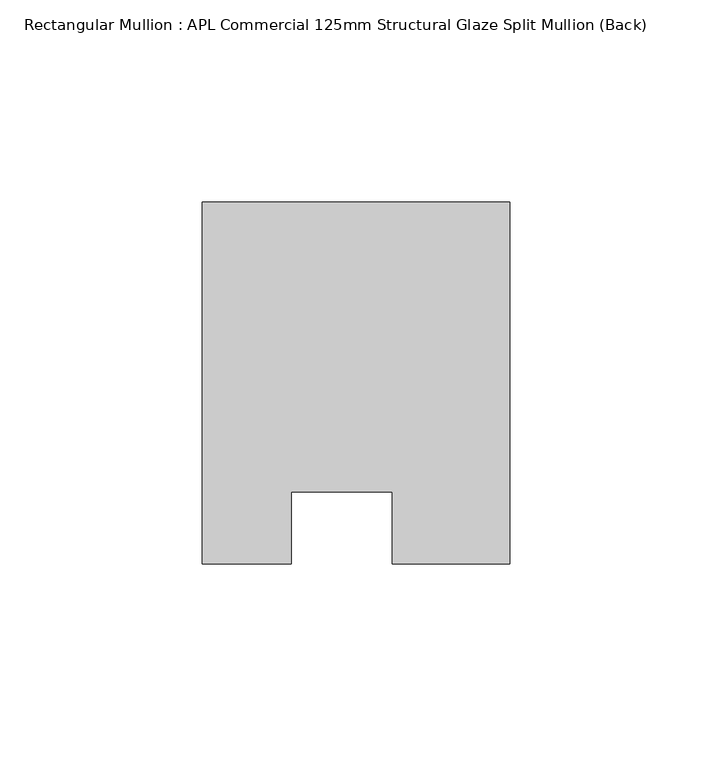
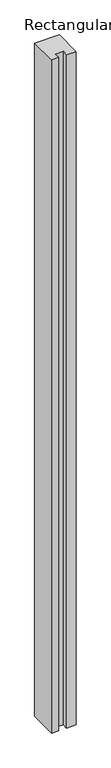
"""IFC4 building model written with IfcOpenShell, lengths in millimetres: member geometry, Rectangular Mullion : APL Commercial 125mm Structural Glaze Split Mullion (Back)."""

from ifc_helpers import new_model, si_unit, frame, origin, place, context, project, spatial, polyline, outline, extrude, source, transform, mapped, element, save


def rectangular_mullion_apl_commercial_125mm_structural_glaze_cc10245e(model_context):
    return source(origin(), model_context, "Body", "SweptSolid", [
        extrude(outline(polyline([(37.9999914, 104.4960123), (37.9999914, 14.9960123), (9.0, 14.9960123), (9.0, 32.7960123), (-16.0, 32.7960123), (-16.0, 14.9960123), (-37.9999896, 14.9960123), (-37.9999896, 104.4960123), (37.9999914, 104.4960123)])), frame((0.0, 0.0, -2200.0), z_axis=(0.0, 0.0, 1.0), x_axis=(1.0, 0.0, 0.0)), (0.0, 0.0, 1.0), 2200.0),
    ])


if __name__ == "__main__":
    model = new_model("IFC4")
    model_context = context("Model", 3, world=origin())
    ifc_project = project(units=[si_unit("LENGTHUNIT", "METRE", prefix="MILLI")], contexts=[model_context])
    site = spatial("IfcSite", under=ifc_project)
    building = spatial("IfcBuilding", under=site)
    placement = place(None, origin())
    rectangular_mullion_apl_commercial_125mm_structural_glaze_shape = rectangular_mullion_apl_commercial_125mm_structural_glaze_cc10245e(model_context)
    element("IfcMember", 1, ObjectType="Rectangular Mullion : APL Commercial 125mm Structural Glaze Split Mullion (Back)", at=placement, inside=building, context=model_context, shape_type="MappedRepresentation", body=[
        mapped(rectangular_mullion_apl_commercial_125mm_structural_glaze_shape, transform((0.0, 0.0, 0.0), x_axis=(1.0, 0.0, 0.0), y_axis=(0.0, 1.0, 0.0), z_axis=(0.0, 0.0, 1.0))),
    ])
    save(model, "model.ifc")
